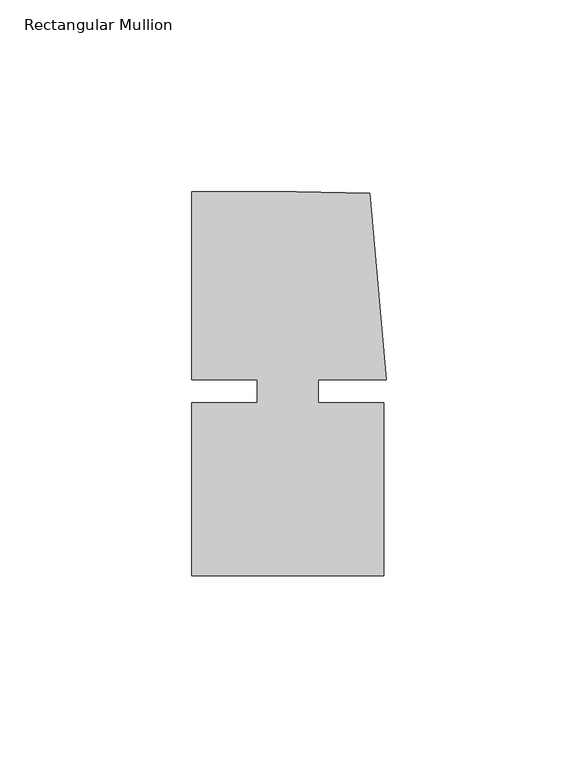
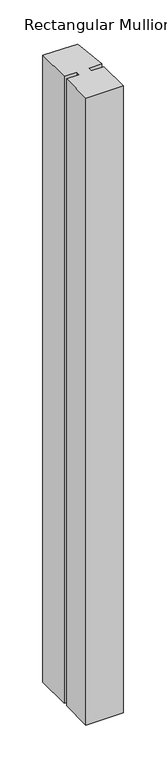
"""IFC4 building model written with IfcOpenShell, lengths in millimetres: member geometry, Rectangular Mullion."""

from ifc_helpers import new_model, si_unit, frame, origin, place, context, project, spatial, polyline, outline, extrude, source, transform, mapped, element, save


def rectangular_mullion_30cc5e1c(model_context):
    return source(origin(), model_context, "Body", "SweptSolid", [
        extrude(outline(polyline([(8.0004917, -3.0000287), (25.00003, -3.0000271), (25.0000344, -48.0000271), (-24.9999656, -48.000032), (-24.99997, -3.000032), (-8.0004317, -3.0000303), (-8.0004323, 2.999987), (-24.9999706, 2.9999853), (-24.9999754, 51.999968), (2.2554581, 51.9999707), (21.3623265, 51.5846059), (25.6129344, 2.9999903), (8.0004911, 2.9999885), (8.0004917, -3.0000287)])), frame((0.0, 0.0, -890.7159699), z_axis=(0.0, 0.0, 1.0), x_axis=(1.0, 0.0, 0.0)), (0.0, 0.0, 1.0), 890.7159699),
    ])


if __name__ == "__main__":
    model = new_model("IFC4")
    model_context = context("Model", 3, world=origin())
    ifc_project = project(units=[si_unit("LENGTHUNIT", "METRE", prefix="MILLI")], contexts=[model_context])
    site = spatial("IfcSite", under=ifc_project)
    building = spatial("IfcBuilding", under=site)
    placement = place(None, origin())
    rectangular_mullion_shape = rectangular_mullion_30cc5e1c(model_context)
    element("IfcMember", 1, ObjectType="Rectangular Mullion", at=placement, inside=building, context=model_context, shape_type="MappedRepresentation", body=[
        mapped(rectangular_mullion_shape, transform((0.0, 0.0, 0.0), x_axis=(1.0, 0.0, 0.0), y_axis=(0.0, 1.0, 0.0), z_axis=(0.0, 0.0, 1.0))),
    ])
    save(model, "model.ifc")
